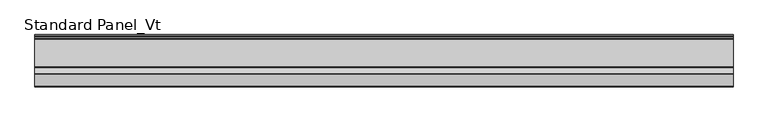
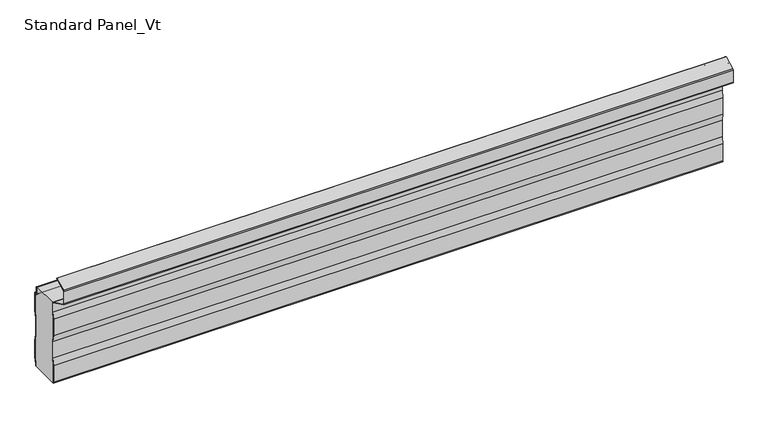
"""IFC4 building model written with IfcOpenShell, lengths in millimetres: proxy geometry, Standard Panel_Vt."""

from ifc_helpers import new_model, si_unit, point, frame, frame_2d, origin, place, context, project, spatial, polyline, circle_curve, trimmed, segment, composite_curve, outline, extrude, source, transform, mapped, element, save
from ifc_brep_helpers import plane_surface, cylinder_surface, revolved_surface, advanced_brep


def standard_panel_vt_49ccc8f4(model_context):
    return source(origin(), model_context, "Body", "SolidModel", [
        extrude(outline(composite_curve([segment(polyline([(-70.0, 2.6758967), (-69.5491903, 0.0), (-70.3604638, 0.0), (-70.8, 2.60898), (-70.8, 40.8180247), (-68.3, 55.6574178), (-68.3, 93.7695869), (-70.8, 108.60898), (-70.8, 146.8180247), (-68.3, 161.6574178), (-68.3, 181.8040392)]), True, "CONTINUOUS"), segment(trimmed(circle_curve(frame_2d((-70.6, 181.8040392)), 2.3), [point((-68.3, 181.8040392))], [point((-69.5733338, 183.8621832))], True, "CARTESIAN"), True, "CONTINUOUS"), segment(polyline([(-69.5733338, 183.8621832), (-108.0679093, 203.0644748)]), True, "CONTINUOUS"), segment(trimmed(circle_curve(frame_2d((-107.041243, 205.1226188)), 2.3), [point((-108.0679093, 203.0644748))], [point((-109.341243, 205.1226188))], False, "CARTESIAN"), True, "CONTINUOUS"), segment(polyline([(-109.341243, 205.1226188), (-109.341243, 233.2773812)]), True, "CONTINUOUS"), segment(trimmed(circle_curve(frame_2d((-107.041243, 233.2773812)), 2.3), [point((-109.341243, 233.2773812))], [point((-108.0688066, 235.3350773))], False, "CARTESIAN"), True, "CONTINUOUS"), segment(polyline([(-108.0688066, 235.3350773), (-83.2174495, 247.7452431)]), True, "CONTINUOUS"), segment(trimmed(circle_curve(frame_2d((-82.8600361, 247.0295227)), 0.8), [point((-83.2174495, 247.7452431))], [point((-82.5026227, 246.3138024))], False, "CARTESIAN"), True, "CONTINUOUS"), segment(polyline([(-82.5026227, 246.3138024), (-95.2066593, 239.9697142), (-95.5640727, 240.6854346), (-107.7113932, 234.6193569)]), True, "CONTINUOUS"), segment(trimmed(circle_curve(frame_2d((-107.041243, 233.2773812)), 1.5), [point((-107.7113932, 234.6193569))], [point((-108.541243, 233.2773812))], True, "CARTESIAN"), True, "CONTINUOUS"), segment(polyline([(-108.541243, 233.2773812), (-108.541243, 205.1226188)]), True, "CONTINUOUS"), segment(trimmed(circle_curve(frame_2d((-107.041243, 205.1226188)), 1.5), [point((-108.541243, 205.1226188))], [point((-107.710808, 203.780351))], True, "CARTESIAN"), True, "CONTINUOUS"), segment(polyline([(-107.710808, 203.780351), (-69.2162325, 184.5780593)]), True, "CONTINUOUS"), segment(trimmed(circle_curve(frame_2d((-70.6, 181.8040392)), 3.1), [point((-69.2162325, 184.5780593))], [point((-67.5, 181.8040392))], False, "CARTESIAN"), True, "CONTINUOUS"), segment(polyline([(-67.5, 181.8040392), (-67.5, 161.5905011), (-70.0, 146.751108), (-70.0, 108.6758967), (-67.5, 93.8365036), (-67.5, 55.5905011), (-70.0, 40.751108), (-70.0, 2.6758967)]), True, "CONTINUOUS")], self_intersect=False)), frame((-723.9042608, 0.0, 0.0), z_axis=(1.0, 0.0, 0.0), x_axis=(0.0, 1.0, 0.0)), (0.0, 0.0, 1.0), 1447.8085217),
        extrude(outline(composite_curve([segment(polyline([(-3.3, 3.6266429), (-3.3, 0.0), (-4.1, 0.0), (-4.1, 3.6928529), (-1.6, 18.6928529), (-1.6, 56.5604329), (-4.1, 71.5604329), (-4.1, 109.6928529), (-1.6, 124.6928529), (-1.6, 165.8009611), (-4.1204106, 164.1655843)]), True, "CONTINUOUS"), segment(trimmed(circle_curve(frame_2d((-5.1001721, 165.6755735)), 1.8), [point((-4.1204106, 164.1655843))], [point((-6.9001721, 165.6755735))], False, "CARTESIAN"), True, "CONTINUOUS"), segment(polyline([(-6.9001721, 165.6755735), (-6.9001721, 181.2616436)]), True, "CONTINUOUS"), segment(trimmed(circle_curve(frame_2d((-8.2001714, 181.2616436)), 1.2999993), [point((-6.9001721, 181.2616436))], [point((-8.2001714, 182.5616429))], True, "CARTESIAN"), True, "CONTINUOUS"), segment(polyline([(-8.2001714, 182.5616429), (-10.2001722, 182.5616429), (-10.2001722, 183.3616429), (-8.2001714, 183.3616429)]), True, "CONTINUOUS"), segment(trimmed(circle_curve(frame_2d((-8.2001714, 181.2616436)), 2.0999993), [point((-8.2001714, 183.3616429))], [point((-6.1001721, 181.2616436))], False, "CARTESIAN"), True, "CONTINUOUS"), segment(polyline([(-6.1001721, 181.2616436), (-6.1001721, 165.6755735)]), True, "CONTINUOUS"), segment(trimmed(circle_curve(frame_2d((-5.1001721, 165.6755735)), 1.0), [point((-6.1001721, 165.6755735))], [point((-4.5558601, 164.8366906))], True, "CARTESIAN"), True, "CONTINUOUS"), segment(polyline([(-4.5558601, 164.8366906), (-2.3443119, 166.271661)]), True, "CONTINUOUS"), segment(trimmed(circle_curve(frame_2d((-1.8, 165.4327781)), 1.0), [point((-2.3443119, 166.271661))], [point((-0.8, 165.4327781))], False, "CARTESIAN"), True, "CONTINUOUS"), segment(polyline([(-0.8, 165.4327781), (-0.8, 124.6266429), (-3.3, 109.6266429), (-3.3, 71.6266429), (-0.8, 56.6266429), (-0.8, 18.6266429), (-3.3, 3.6266429)]), True, "CONTINUOUS")], self_intersect=False)), frame((-723.9042608, 0.0, 0.0), z_axis=(1.0, 0.0, 0.0), x_axis=(0.0, 1.0, 0.0)), (0.0, 0.0, 1.0), 1447.8085217),
        advanced_brep(
        [(-723.9042608, -67.9622719, 183.4326554), (-723.9042608, -10.2001722, 183.4), (-723.9042608, -10.2001722, 182.5616429), (-723.9042608, -8.2001714, 182.5616429), (-723.9042608, -6.9001721, 181.2616436), (-723.9042608, -6.9001721, 165.6755735), (-723.9042608, -4.1204106, 164.1655843), (-723.9042608, -1.6, 165.8009611), (-723.9042608, -1.6, 124.6928529), (-723.9042608, -4.1, 109.6928529), (-723.9042608, -4.1, 71.5604329), (-723.9042608, -1.6, 56.5604329), (-723.9042608, -1.6, 18.6928529), (-723.9042608, -4.1, 3.6928529), (-723.9042608, -4.1, 0.0), (-723.9042608, -69.5491903, 0.0), (-723.9042608, -70.0, 2.6758967), (-723.9042608, -70.0, 40.751108), (-723.9042608, -67.5, 55.5905011), (-723.9042608, -67.5, 93.8365036), (-723.9042608, -70.0, 108.6758967), (-723.9042608, -70.0, 146.751108), (-723.9042608, -67.5, 161.5905011), (-723.9042608, -67.5, 181.8040392), (723.9042608, -70.0, 2.6758967), (723.9042608, -69.5491903, 0.0), (723.9042608, -4.1, 0.0), (723.9042608, -4.1, 3.6928529), (723.9042608, -1.6, 18.6928529), (723.9042608, -1.6, 56.5604329), (723.9042608, -4.1, 71.5604329), (723.9042608, -4.1, 109.6928529), (723.9042608, -1.6, 124.6928529), (723.9042608, -1.6, 165.8009611), (723.9042608, -4.1204106, 164.1655843), (723.9042608, -6.9001721, 165.6755735), (723.9042608, -6.9001721, 181.2616436), (723.9042608, -8.2001714, 182.5616429), (723.9042608, -10.2001722, 182.5616429), (723.9042608, -10.2001722, 183.4), (723.9042608, -67.9622719, 183.4326554), (723.9042608, -67.5, 181.8040392), (723.9042608, -67.5, 161.5905011), (723.9042608, -70.0, 146.751108), (723.9042608, -70.0, 108.6758967), (723.9042608, -67.5, 93.8365036), (723.9042608, -67.5, 55.5905011), (723.9042608, -70.0, 40.751108)],
        [
            (0, 1),
            (1, 2),
            (2, 3),
            (3, 4, circle_curve(frame((-723.9042608, -8.2001714, 181.2616436), z_axis=(-1.0, 0.0, 0.0), x_axis=(0.0, 0.0, -1.0)), 1.2999993)),
            (4, 5),
            (5, 6, circle_curve(frame((-723.9042608, -5.1001721, 165.6755735), z_axis=(1.0, 0.0, 0.0), x_axis=(0.0, 0.0, -1.0)), 1.8)),
            (6, 7),
            (7, 8),
            (8, 9),
            (9, 10),
            (10, 11),
            (11, 12),
            (12, 13),
            (13, 14),
            (14, 15),
            (15, 16),
            (16, 17),
            (17, 18),
            (18, 19),
            (19, 20),
            (20, 21),
            (21, 22),
            (22, 23),
            (23, 0, circle_curve(frame((-723.9042608, -70.6, 181.8040392), z_axis=(1.0, 0.0, 0.0), x_axis=(0.0, 0.0, -1.0)), 3.1)),
            (24, 25),
            (25, 26),
            (26, 27),
            (27, 28),
            (28, 29),
            (29, 30),
            (30, 31),
            (31, 32),
            (32, 33),
            (33, 34),
            (34, 35, circle_curve(frame((723.9042608, -5.1001721, 165.6755735), z_axis=(-1.0, 0.0, 0.0), x_axis=(0.0, 0.0, -1.0)), 1.8)),
            (35, 36),
            (36, 37, circle_curve(frame((723.9042608, -8.2001714, 181.2616436), z_axis=(1.0, 0.0, 0.0), x_axis=(0.0, 0.0, -1.0)), 1.2999993)),
            (37, 38),
            (38, 39),
            (39, 40),
            (40, 41, circle_curve(frame((723.9042608, -70.6, 181.8040392), z_axis=(-1.0, 0.0, 0.0), x_axis=(0.0, 0.0, -1.0)), 3.1)),
            (41, 42),
            (42, 43),
            (43, 44),
            (44, 45),
            (45, 46),
            (46, 47),
            (47, 24),
            (23, 41),
            (40, 0),
            (22, 42),
            (21, 43),
            (20, 44),
            (19, 45),
            (18, 46),
            (17, 47),
            (16, 24),
            (15, 25),
            (38, 2),
            (1, 39),
            (26, 14),
            (13, 27),
            (12, 28),
            (11, 29),
            (10, 30),
            (9, 31),
            (8, 32),
            (7, 33),
            (6, 34),
            (5, 35),
            (4, 36),
            (3, 37),
        ],
        [
            plane_surface(frame((-723.9042608, -70.0, -280.8), z_axis=(-1.0, 0.0, 0.0), x_axis=(0.0, 1.0, 0.0))),
            plane_surface(frame((723.9042608, -70.0, -280.8), z_axis=(1.0, 0.0, 0.0), x_axis=(0.0, 1.0, 0.0))),
            revolved_surface(polyline([(723.9042608, -70.6, 178.7040392), (-723.9042608, -70.6, 178.7040392)]), (-723.9042608, -70.6, 181.8040392), (1.0, 0.0, 0.0)),
            plane_surface(frame((-723.9042608, -67.5, 181.8040392), z_axis=(0.0, -1.0, 0.0), x_axis=(1.0, 0.0, 0.0))),
            plane_surface(frame((-723.9042608, -67.5, 161.5905011), z_axis=(0.0, -0.9861039564577478, 0.16612942863435207), x_axis=(1.0, 0.0, 0.0))),
            plane_surface(frame((-723.9042608, -70.0, 146.751108), z_axis=(0.0, -1.0, 0.0), x_axis=(1.0, 0.0, 0.0))),
            plane_surface(frame((-723.9042608, -70.0, 108.6758967), z_axis=(0.0, -0.986103956457715, -0.16612942863454708), x_axis=(1.0, 0.0, 0.0))),
            plane_surface(frame((-723.9042608, -67.5, 93.8365036), z_axis=(0.0, -1.0, 0.0), x_axis=(1.0, 0.0, 0.0))),
            plane_surface(frame((-723.9042608, -67.5, 55.5905011), z_axis=(0.0, -0.9861039564577201, 0.1661294286345171), x_axis=(1.0, 0.0, 0.0))),
            plane_surface(frame((-723.9042608, -70.0, 40.751108), z_axis=(0.0, -1.0, 0.0), x_axis=(1.0, 0.0, 0.0))),
            plane_surface(frame((-723.9042608, -70.0, 2.6758967), z_axis=(0.0, -0.986103956457715, -0.16612942863454708), x_axis=(1.0, 0.0, 0.0))),
            plane_surface(frame((723.9042608, -10.2001722, 183.4), z_axis=(0.0, 1.0, 0.0), x_axis=(-1.0, 0.0, 0.0))),
            plane_surface(frame((-723.9042608, -4.1, -34.4395671), z_axis=(0.0, 1.0, 0.0), x_axis=(1.0, 0.0, 0.0))),
            plane_surface(frame((-723.9042608, -4.1, 3.6928529), z_axis=(0.0, 0.9863939238321462, -0.1643989873053435), x_axis=(1.0, 0.0, 0.0))),
            plane_surface(frame((-723.9042608, -1.6, 18.6928529), z_axis=(0.0, 1.0, 0.0), x_axis=(1.0, 0.0, 0.0))),
            plane_surface(frame((-723.9042608, -1.6, 56.5604329), z_axis=(0.0, 0.9863939238321415, 0.16439898730537109), x_axis=(1.0, 0.0, 0.0))),
            plane_surface(frame((-723.9042608, -4.1, 71.5604329), z_axis=(0.0, 1.0, 0.0), x_axis=(1.0, 0.0, 0.0))),
            plane_surface(frame((-723.9042608, -4.1, 109.6928529), z_axis=(0.0, 0.9863939238321769, -0.16439898730515876), x_axis=(1.0, 0.0, 0.0))),
            plane_surface(frame((-723.9042608, -1.6, 124.6928529), z_axis=(0.0, 1.0, 0.0), x_axis=(1.0, 0.0, 0.0))),
            plane_surface(frame((-723.9042608, -1.6, 165.8009611), z_axis=(0.0, -0.5443119480359504, 0.8388828900539747), x_axis=(1.0, 0.0, 0.0))),
            revolved_surface(polyline([(723.9042608, -5.1001721, 163.8755735), (-723.9042608, -5.1001721, 163.8755735)]), (-723.9042608, -5.1001721, 165.6755735), (1.0, 0.0, 0.0)),
            plane_surface(frame((-723.9042608, -6.9001721, 165.6755735), z_axis=(0.0, 1.0, 0.0), x_axis=(1.0, 0.0, 0.0))),
            cylinder_surface(frame((-723.9042608, -8.2001714, 181.2616436), z_axis=(-1.0, 0.0, 0.0), x_axis=(0.0, 0.0, -1.0)), 1.2999993),
            plane_surface(frame((-723.9042608, -8.2001714, 182.5616429), z_axis=(0.0, 0.0, 1.0), x_axis=(1.0, 0.0, 0.0))),
            plane_surface(frame((723.9042608, -170.0, 0.0), z_axis=(0.0, 0.0, -1.0), x_axis=(-1.0, 0.0, 0.0))),
            plane_surface(frame((-723.9042608, -65.05, 183.4326554), z_axis=(0.0, 0.0, 1.0), x_axis=(1.0, 0.0, 0.0))),
        ],
        [
            (0, [[1, 2, 3, 4, 5, 6, 7, 8, 9, 10, 11, 12, 13, 14, 15, 16, 17, 18, 19, 20, 21, 22, 23, 24]]),
            (1, [[25, 26, 27, 28, 29, 30, 31, 32, 33, 34, 35, 36, 37, 38, 39, 40, 41, 42, 43, 44, 45, 46, 47, 48]]),
            (2, [[49, -41, 50, -24]]),
            (3, [[51, -42, -49, -23]]),
            (4, [[52, -43, -51, -22]]),
            (5, [[53, -44, -52, -21]]),
            (6, [[54, -45, -53, -20]]),
            (7, [[55, -46, -54, -19]]),
            (8, [[56, -47, -55, -18]]),
            (9, [[57, -48, -56, -17]]),
            (10, [[-16, 58, -25, -57]]),
            (11, [[-39, 59, -2, 60]]),
            (12, [[-27, 61, -14, 62]]),
            (13, [[63, -28, -62, -13]]),
            (14, [[64, -29, -63, -12]]),
            (15, [[65, -30, -64, -11]]),
            (16, [[66, -31, -65, -10]]),
            (17, [[67, -32, -66, -9]]),
            (18, [[68, -33, -67, -8]]),
            (19, [[69, -34, -68, -7]]),
            (20, [[70, -35, -69, -6]]),
            (21, [[71, -36, -70, -5]]),
            (22, [[72, -37, -71, -4]]),
            (23, [[-59, -38, -72, -3]]),
            (24, [[-61, -26, -58, -15]]),
            (25, [[-40, -60, -1, -50]]),
        ],
    ),
    ])


if __name__ == "__main__":
    model = new_model("IFC4")
    model_context = context("Model", 3, world=origin())
    ifc_project = project(units=[si_unit("LENGTHUNIT", "METRE", prefix="MILLI")], contexts=[model_context])
    site = spatial("IfcSite", under=ifc_project)
    building = spatial("IfcBuilding", under=site)
    placement = place(None, origin())
    standard_panel_vt_shape = standard_panel_vt_49ccc8f4(model_context)
    element("IfcBuildingElementProxy", 1, Name="Standard Panel_Vt", ObjectType="Standard Panel_Vt", at=placement, inside=building, context=model_context, shape_type="MappedRepresentation", body=[
        mapped(standard_panel_vt_shape, transform((0.0, 0.0, 0.0), x_axis=(1.0, 0.0, 0.0), y_axis=(0.0, 1.0, 0.0), z_axis=(0.0, 0.0, 1.0))),
    ])
    save(model, "model.ifc")
